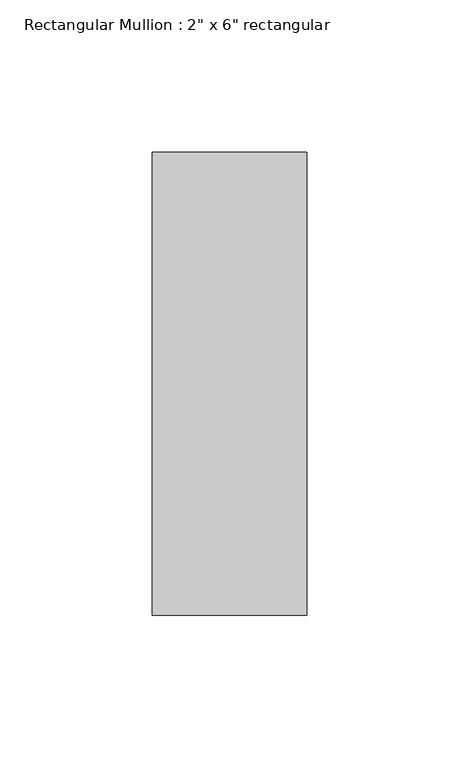
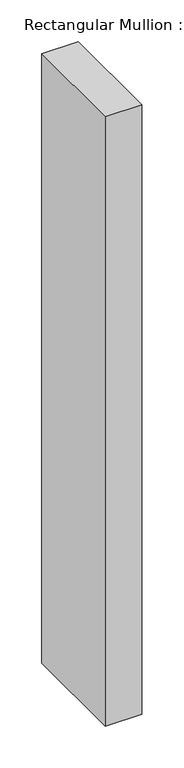
"""IFC4 building model written with IfcOpenShell, lengths in millimetres: member geometry."""

from ifc_helpers import new_model, si_unit, frame, origin, place, context, project, spatial, polyline, outline, extrude, source, transform, mapped, element, save


def member_98436ddc(model_context):
    return source(origin(), model_context, "Body", "SweptSolid", [
        extrude(outline(polyline([(0.0, 76.2), (0.0, -76.2), (-50.8, -76.2), (-50.8, 76.2), (0.0, 76.2)])), frame((0.0, 0.0, -891.7584611), z_axis=(0.0, 0.0, 1.0), x_axis=(1.0, 0.0, 0.0)), (0.0, 0.0, 1.0), 891.7584611),
    ])


if __name__ == "__main__":
    model = new_model("IFC4")
    model_context = context("Model", 3, world=origin())
    ifc_project = project(units=[si_unit("LENGTHUNIT", "METRE", prefix="MILLI")], contexts=[model_context])
    site = spatial("IfcSite", under=ifc_project)
    building = spatial("IfcBuilding", under=site)
    placement = place(None, origin())
    member_shape = member_98436ddc(model_context)
    element("IfcMember", 1, ObjectType="Rectangular Mullion : 2\" x 6\" rectangular", at=placement, inside=building, context=model_context, shape_type="MappedRepresentation", body=[
        mapped(member_shape, transform((0.0, 0.0, 0.0), x_axis=(1.0, 0.0, 0.0), y_axis=(0.0, 1.0, 0.0), z_axis=(0.0, 0.0, 1.0))),
    ])
    save(model, "model.ifc")
